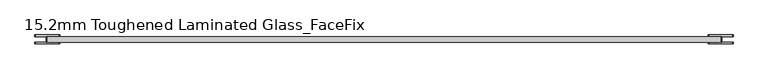
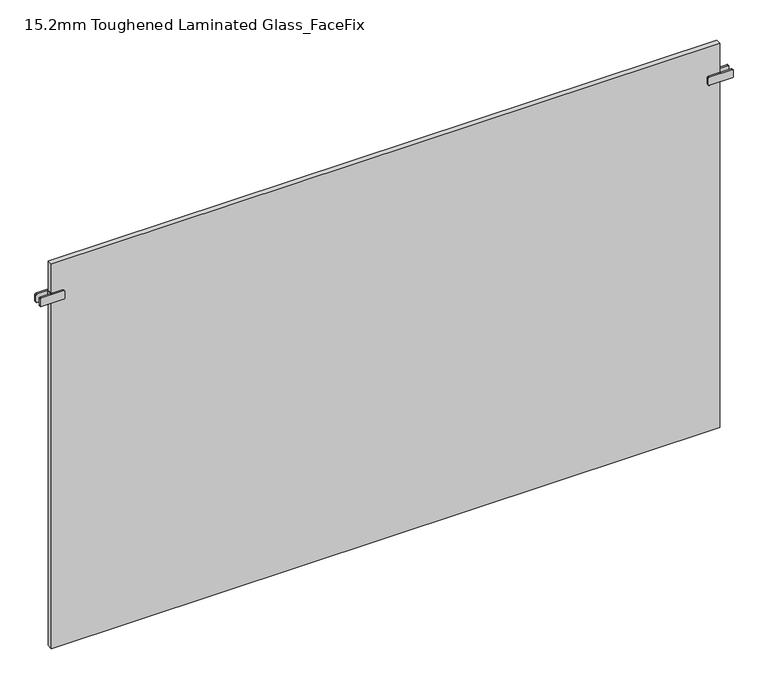
"""IFC4 building model written with IfcOpenShell, lengths in millimetres: plate geometry, 15.2mm Toughened Laminated Glass_FaceFix."""

import ifcopenshell
import ifcopenshell.guid

model = None  # the IFC model being written
_history = None  # IfcOwnerHistory: only IFC2X3 demands one
_inside = {}  # id of a spatial element -> (the spatial element, [elements in it])
_under = {}  # id of a project, library or spatial element -> (it, [spatial elements below it])
_declared = {}  # id of a project -> (the project, [libraries it declares])
_typed = {}  # id of a type object -> (the type object, [elements of that type])
_made_of = {}  # id of a material, layer set ... -> (it, [elements and type objects made of it])


def new_model(schema):
    """Start an empty IFC model of exactly this schema.

    Asked for "IFC4X3", IfcOpenShell would pick the latest addendum, in which some entities
    have other attributes; the version numbers below select the first issue.
    IFC2X3 requires an IfcOwnerHistory on every rooted entity: one is made here for all.
    """
    global model, _history
    if schema == "IFC4X3":
        model = ifcopenshell.file(schema_version=(4, 3, 0, 0))
    else:
        model = ifcopenshell.file(schema=schema)
    _inside.clear()
    _under.clear()
    _declared.clear()
    _typed.clear()
    _made_of.clear()
    _history = None
    if model.schema == "IFC2X3":
        org = make("IfcOrganization", Name="unknown")
        user = make(
            "IfcPersonAndOrganization",
            ThePerson=make("IfcPerson", FamilyName="unknown"),
            TheOrganization=org,
        )
        app = make(
            "IfcApplication",
            ApplicationDeveloper=org,
            Version="unknown",
            ApplicationFullName="unknown",
            ApplicationIdentifier="unknown",
        )
        _history = make(
            "IfcOwnerHistory",
            OwningUser=user,
            OwningApplication=app,
            ChangeAction="ADDED",
            CreationDate=0,
        )
    return model


def make(cls, **values):
    """One entity of the class cls with the attributes given. An attribute that is None is left unset."""
    return model.create_entity(
        cls, **{name: value for name, value in values.items() if value is not None}
    )


def rooted(cls, **values):
    """An entity with a GlobalId (a new one), such as an element, a storey or a relation."""
    return make(cls, GlobalId=ifcopenshell.guid.new(), OwnerHistory=_history, **values)


def si_unit(unit_type, name, prefix=None):
    """IfcSIUnit, for example si_unit("LENGTHUNIT", "METRE", prefix="MILLI")."""
    return make("IfcSIUnit", UnitType=unit_type, Prefix=prefix, Name=name)


def assignment(units):
    """IfcUnitAssignment: the units of a project."""
    return None if units is None else make("IfcUnitAssignment", Units=units)


def point(xyz):
    """IfcCartesianPoint."""
    return None if xyz is None else make("IfcCartesianPoint", Coordinates=xyz)


def direction(xyz):
    """IfcDirection."""
    return None if xyz is None else make("IfcDirection", DirectionRatios=xyz)


def frame(location, z_axis=None, x_axis=None):
    """IfcAxis2Placement3D, a coordinate frame: its origin and axes. An axis left out is left unset."""
    return make(
        "IfcAxis2Placement3D",
        Location=point(location),
        Axis=direction(z_axis),
        RefDirection=direction(x_axis),
    )


def frame_2d(location, x_axis=None):
    """IfcAxis2Placement2D, a coordinate frame in the plane: its origin and x axis."""
    return make(
        "IfcAxis2Placement2D", Location=point(location), RefDirection=direction(x_axis)
    )


def origin():
    """The frame at (0, 0, 0) with its axes left unset."""
    return frame((0.0, 0.0, 0.0))


def origin_with_axes():
    """The frame at (0, 0, 0) with the z axis (0, 0, 1) and the x axis (1, 0, 0) written out."""
    return frame((0.0, 0.0, 0.0), z_axis=(0.0, 0.0, 1.0), x_axis=(1.0, 0.0, 0.0))


def place(relative_to, where):
    """IfcLocalPlacement: puts the frame where relative to a parent placement (None: the world)."""
    return make(
        "IfcLocalPlacement", PlacementRelTo=relative_to, RelativePlacement=where
    )


def context(
    kind, dimensions, precision=None, world=None, true_north=None, identifier=None
):
    """IfcGeometricRepresentationContext, for example the 3D "Model" context."""
    return make(
        "IfcGeometricRepresentationContext",
        ContextIdentifier=identifier,
        ContextType=kind,
        CoordinateSpaceDimension=dimensions,
        Precision=precision,
        WorldCoordinateSystem=world,
        TrueNorth=true_north,
    )


def project(units=None, contexts=None):
    """IfcProject with its units and contexts."""
    return rooted(
        "IfcProject",
        Name="project",
        RepresentationContexts=contexts,
        UnitsInContext=assignment(units),
    )


def spatial(cls, under=None, at=None, **own):
    """A site, building, storey or space (cls), placed at a placement, below another one or the project."""
    s = rooted(cls, ObjectPlacement=at, **own)
    if under is not None:
        _under.setdefault(under.id(), (under, []))[1].append(s)
    return s


def polyline(points):
    """IfcPolyline through the points."""
    return make("IfcPolyline", Points=[point(p) for p in points])


def circle_curve(where, radius):
    """IfcCircle in the frame where."""
    return make("IfcCircle", Position=where, Radius=radius)


def trimmed(basis, trim1, trim2, sense, master):
    """IfcTrimmedCurve: the piece of a basis curve between two trims."""
    return make(
        "IfcTrimmedCurve",
        BasisCurve=basis,
        Trim1=trim1,
        Trim2=trim2,
        SenseAgreement=sense,
        MasterRepresentation=master,
    )


def segment(curve, same_sense, transition):
    """IfcCompositeCurveSegment."""
    return make(
        "IfcCompositeCurveSegment",
        Transition=transition,
        SameSense=same_sense,
        ParentCurve=curve,
    )


def composite_curve(segments, self_intersect=None):
    """IfcCompositeCurve: segments joined end to end."""
    return make("IfcCompositeCurve", Segments=segments, SelfIntersect=self_intersect)


def outline(outer, holes=None, kind="AREA"):
    """IfcArbitraryClosedProfileDef: a profile drawn as a closed curve; with holes, ...WithVoids."""
    if holes is None:
        return make("IfcArbitraryClosedProfileDef", ProfileType=kind, OuterCurve=outer)
    return make(
        "IfcArbitraryProfileDefWithVoids",
        ProfileType=kind,
        OuterCurve=outer,
        InnerCurves=holes,
    )


def extrude(swept, where, along, depth):
    """IfcExtrudedAreaSolid: the profile swept, set in the frame where, extruded along a direction by depth."""
    return make(
        "IfcExtrudedAreaSolid",
        SweptArea=swept,
        Position=where,
        ExtrudedDirection=direction(along),
        Depth=depth,
    )


def shape(context_of_items, identifier, shape_type, items):
    """IfcShapeRepresentation: the items that make up one representation, for example the "Body"."""
    return make(
        "IfcShapeRepresentation",
        ContextOfItems=context_of_items,
        RepresentationIdentifier=identifier,
        RepresentationType=shape_type,
        Items=items,
    )


def source(mapping_origin, context_of_items, identifier, shape_type, items):
    """IfcRepresentationMap: a shape defined once, which mapped items show again and again."""
    return make(
        "IfcRepresentationMap",
        MappingOrigin=mapping_origin,
        MappedRepresentation=shape(context_of_items, identifier, shape_type, items),
    )


def transform(
    local_origin,
    x_axis=None,
    y_axis=None,
    z_axis=None,
    scale=None,
    scale2=None,
    scale3=None,
    uniform=True,
):
    """IfcCartesianTransformationOperator3D, or its non-uniform kind. x_axis, y_axis, z_axis: its Axis1, 2, 3."""
    if uniform:
        return make(
            "IfcCartesianTransformationOperator3D",
            Axis1=direction(x_axis),
            Axis2=direction(y_axis),
            LocalOrigin=point(local_origin),
            Scale=scale,
            Axis3=direction(z_axis),
        )
    return make(
        "IfcCartesianTransformationOperator3DnonUniform",
        Axis1=direction(x_axis),
        Axis2=direction(y_axis),
        LocalOrigin=point(local_origin),
        Scale=scale,
        Axis3=direction(z_axis),
        Scale2=scale2,
        Scale3=scale3,
    )


def mapped(mapping_source, mapping_target):
    """IfcMappedItem: shows the shape of a source again, moved by a transform."""
    return make(
        "IfcMappedItem", MappingSource=mapping_source, MappingTarget=mapping_target
    )


def made_of(thing, what):
    """Note that an element or type object is made of a material, layer set ...; save() writes the relation."""
    if what is not None:
        _made_of.setdefault(what.id(), (what, []))[1].append(thing)
    return thing


def element(
    cls,
    number,
    at=None,
    inside=None,
    cuts=None,
    type_object=None,
    material=None,
    context=None,
    identifier="Body",
    shape_type=None,
    held_by="IfcProductDefinitionShape",
    body=None,
    shapes=None,
    **own,
):
    """One element of the class cls, such as IfcWall. Its Tag is "e" and its number.

    at: its placement. inside: the storey or other place that contains it. cuts: it is an
    opening in that element (IfcRelVoidsElement). A single representation is given by context,
    identifier, shape_type and body (its items); several are given by shapes. held_by: the class
    of the entity that holds the representations. save() writes the other relations.
    """
    e = rooted(cls, Tag="e%d" % number, ObjectPlacement=at, **own)
    if body is not None:
        shapes = [shape(context, identifier, shape_type, body)]
    if shapes is not None:
        e.Representation = make(held_by, Representations=shapes)
    if inside is not None:
        _inside.setdefault(inside.id(), (inside, []))[1].append(e)
    if cuts is not None:
        rooted(
            "IfcRelVoidsElement", RelatingBuildingElement=cuts, RelatedOpeningElement=e
        )
    if type_object is not None:
        _typed.setdefault(type_object.id(), (type_object, []))[1].append(e)
    return made_of(e, material)


def aggregate(whole, parts):
    """IfcRelAggregates: a whole, such as a stair, and the parts it consists of."""
    return rooted("IfcRelAggregates", RelatingObject=whole, RelatedObjects=parts)


def save(model, path):
    """Write the relations noted so far, then the file.

    IfcRelAggregates (storeys below a building ...), IfcRelContainedInSpatialStructure (elements
    in a storey), IfcRelDefinesByType, IfcRelAssociatesMaterial and IfcRelDeclares: one each for
    every whole, place, type object, material and project.
    """
    for whole, parts in _under.values():
        aggregate(whole, parts)
    for where, things in _inside.values():
        rooted(
            "IfcRelContainedInSpatialStructure",
            RelatedElements=things,
            RelatingStructure=where,
        )
    for kind, things in _typed.values():
        rooted("IfcRelDefinesByType", RelatedObjects=things, RelatingType=kind)
    for what, things in _made_of.values():
        rooted("IfcRelAssociatesMaterial", RelatedObjects=things, RelatingMaterial=what)
    for by, libraries in _declared.values():
        rooted("IfcRelDeclares", RelatingContext=by, RelatedDefinitions=libraries)
    model.write(path)


def plate_15_2mm_toughened_laminated_glass_facefix_97a32f5b(model_context):
    return source(origin(), model_context, "Body", "SweptSolid", [
        extrude(outline(polyline([(-947.5000001, -39.6), (-947.5000001, -24.4), (-942.5000001, -24.4), (-942.5000001, -39.6), (-947.5000001, -39.6)])), frame((0.0, 0.0, 1037.5), z_axis=(0.0, 0.0, 1.0), x_axis=(1.0, 0.0, 0.0)), (0.0, 0.0, 1.0), 25.0),
        extrude(outline(composite_curve([segment(trimmed(circle_curve(frame_2d((1040.5, -913.0000001)), 3.0), [point((1037.5, -913.0000001))], [point((1040.5, -910.0000001))], False, "CARTESIAN"), True, "CONTINUOUS"), segment(polyline([(1040.5, -910.0000001), (1059.5, -910.0000001)]), True, "CONTINUOUS"), segment(trimmed(circle_curve(frame_2d((1059.5, -913.0000001)), 3.0), [point((1059.5, -910.0000001))], [point((1062.5, -913.0000001))], False, "CARTESIAN"), True, "CONTINUOUS"), segment(polyline([(1062.5, -913.0000001), (1062.5, -977.0000001)]), True, "CONTINUOUS"), segment(trimmed(circle_curve(frame_2d((1059.5, -977.0000001)), 3.0), [point((1062.5, -977.0000001))], [point((1059.5, -980.0000001))], False, "CARTESIAN"), True, "CONTINUOUS"), segment(polyline([(1059.5, -980.0000001), (1040.5, -980.0000001)]), True, "CONTINUOUS"), segment(trimmed(circle_curve(frame_2d((1040.5, -977.0000001)), 3.0), [point((1040.5, -980.0000001))], [point((1037.5, -977.0000001))], False, "CARTESIAN"), True, "CONTINUOUS"), segment(polyline([(1037.5, -977.0000001), (1037.5, -913.0000001)]), True, "CONTINUOUS")], self_intersect=False)), frame((0.0, -24.4, 0.0), z_axis=(0.0, 1.0, 0.0), x_axis=(0.0, 0.0, 1.0)), (0.0, 0.0, 1.0), 5.0),
        extrude(outline(composite_curve([segment(trimmed(circle_curve(frame_2d((1040.5, -913.0000001)), 3.0), [point((1037.5, -913.0000001))], [point((1040.5, -910.0000001))], False, "CARTESIAN"), True, "CONTINUOUS"), segment(polyline([(1040.5, -910.0000001), (1059.5, -910.0000001)]), True, "CONTINUOUS"), segment(trimmed(circle_curve(frame_2d((1059.5, -913.0000001)), 3.0), [point((1059.5, -910.0000001))], [point((1062.5, -913.0000001))], False, "CARTESIAN"), True, "CONTINUOUS"), segment(polyline([(1062.5, -913.0000001), (1062.5, -977.0000001)]), True, "CONTINUOUS"), segment(trimmed(circle_curve(frame_2d((1059.5, -977.0000001)), 3.0), [point((1062.5, -977.0000001))], [point((1059.5, -980.0000001))], False, "CARTESIAN"), True, "CONTINUOUS"), segment(polyline([(1059.5, -980.0000001), (1040.5, -980.0000001)]), True, "CONTINUOUS"), segment(trimmed(circle_curve(frame_2d((1040.5, -977.0000001)), 3.0), [point((1040.5, -980.0000001))], [point((1037.5, -977.0000001))], False, "CARTESIAN"), True, "CONTINUOUS"), segment(polyline([(1037.5, -977.0000001), (1037.5, -913.0000001)]), True, "CONTINUOUS")], self_intersect=False)), frame((0.0, -44.6, 0.0), z_axis=(0.0, 1.0, 0.0), x_axis=(0.0, 0.0, 1.0)), (0.0, 0.0, 1.0), 5.0),
        extrude(outline(polyline([(947.5000001, -39.6), (942.5000001, -39.6), (942.5000001, -24.4), (947.5000001, -24.4), (947.5000001, -39.6)])), frame((0.0, 0.0, 1037.5), z_axis=(0.0, 0.0, 1.0), x_axis=(1.0, 0.0, 0.0)), (0.0, 0.0, 1.0), 25.0),
        extrude(outline(composite_curve([segment(polyline([(1037.5, 913.0000001), (1037.5, 977.0000001)]), True, "CONTINUOUS"), segment(trimmed(circle_curve(frame_2d((1040.5, 977.0000001)), 3.0), [point((1037.5, 977.0000001))], [point((1040.5, 980.0000001))], False, "CARTESIAN"), True, "CONTINUOUS"), segment(polyline([(1040.5, 980.0000001), (1059.5, 980.0000001)]), True, "CONTINUOUS"), segment(trimmed(circle_curve(frame_2d((1059.5, 977.0000001)), 3.0), [point((1059.5, 980.0000001))], [point((1062.5, 977.0000001))], False, "CARTESIAN"), True, "CONTINUOUS"), segment(polyline([(1062.5, 977.0000001), (1062.5, 913.0000001)]), True, "CONTINUOUS"), segment(trimmed(circle_curve(frame_2d((1059.5, 913.0000001)), 3.0), [point((1062.5, 913.0000001))], [point((1059.5, 910.0000001))], False, "CARTESIAN"), True, "CONTINUOUS"), segment(polyline([(1059.5, 910.0000001), (1040.5, 910.0000001)]), True, "CONTINUOUS"), segment(trimmed(circle_curve(frame_2d((1040.5, 913.0000001)), 3.0), [point((1040.5, 910.0000001))], [point((1037.5, 913.0000001))], False, "CARTESIAN"), True, "CONTINUOUS")], self_intersect=False)), frame((0.0, -24.4, 0.0), z_axis=(0.0, 1.0, 0.0), x_axis=(0.0, 0.0, 1.0)), (0.0, 0.0, 1.0), 5.0),
        extrude(outline(composite_curve([segment(polyline([(1037.5, 913.0000001), (1037.5, 977.0000001)]), True, "CONTINUOUS"), segment(trimmed(circle_curve(frame_2d((1040.5, 977.0000001)), 3.0), [point((1037.5, 977.0000001))], [point((1040.5, 980.0000001))], False, "CARTESIAN"), True, "CONTINUOUS"), segment(polyline([(1040.5, 980.0000001), (1059.5, 980.0000001)]), True, "CONTINUOUS"), segment(trimmed(circle_curve(frame_2d((1059.5, 977.0000001)), 3.0), [point((1059.5, 980.0000001))], [point((1062.5, 977.0000001))], False, "CARTESIAN"), True, "CONTINUOUS"), segment(polyline([(1062.5, 977.0000001), (1062.5, 913.0000001)]), True, "CONTINUOUS"), segment(trimmed(circle_curve(frame_2d((1059.5, 913.0000001)), 3.0), [point((1062.5, 913.0000001))], [point((1059.5, 910.0000001))], False, "CARTESIAN"), True, "CONTINUOUS"), segment(polyline([(1059.5, 910.0000001), (1040.5, 910.0000001)]), True, "CONTINUOUS"), segment(trimmed(circle_curve(frame_2d((1040.5, 913.0000001)), 3.0), [point((1040.5, 910.0000001))], [point((1037.5, 913.0000001))], False, "CARTESIAN"), True, "CONTINUOUS")], self_intersect=False)), frame((0.0, -44.6, 0.0), z_axis=(0.0, 1.0, 0.0), x_axis=(0.0, 0.0, 1.0)), (0.0, 0.0, 1.0), 5.0),
        extrude(outline(polyline([(945.0000001, -24.4), (945.0000001, -39.6), (-945.0000001, -39.6), (-945.0000001, -24.4), (945.0000001, -24.4)])), origin_with_axes(), (0.0, 0.0, 1.0), 1150.0),
    ])


if __name__ == "__main__":
    model = new_model("IFC4")
    model_context = context("Model", 3, world=origin())
    ifc_project = project(units=[si_unit("LENGTHUNIT", "METRE", prefix="MILLI")], contexts=[model_context])
    site = spatial("IfcSite", under=ifc_project)
    building = spatial("IfcBuilding", under=site)
    placement = place(None, origin())
    plate_15_2mm_toughened_laminated_glass_facefix_shape = plate_15_2mm_toughened_laminated_glass_facefix_97a32f5b(model_context)
    element("IfcPlate", 1, ObjectType="15.2mm Toughened Laminated Glass_FaceFix", at=placement, inside=building, context=model_context, shape_type="MappedRepresentation", body=[
        mapped(plate_15_2mm_toughened_laminated_glass_facefix_shape, transform((0.0, 0.0, 0.0), x_axis=(1.0, 0.0, 0.0), y_axis=(0.0, 1.0, 0.0), z_axis=(0.0, 0.0, 1.0))),
    ])
    save(model, "model.ifc")
